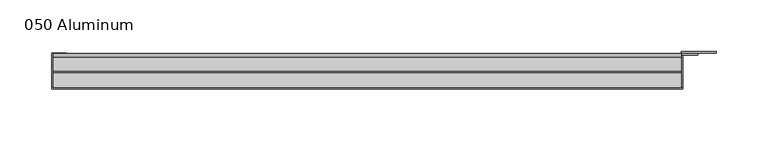
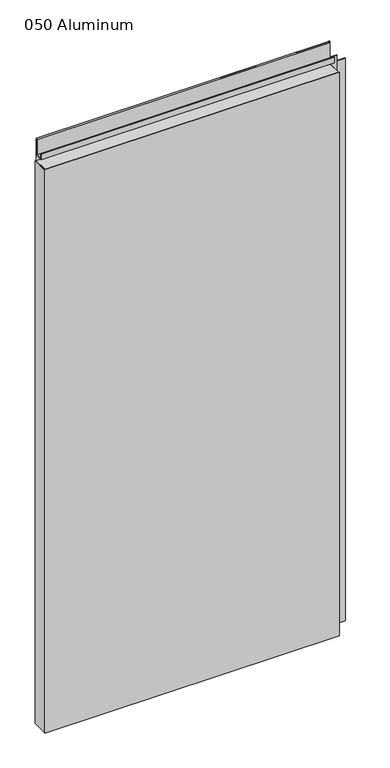
"""IFC4 building model written with IfcOpenShell, lengths in millimetres: plate geometry, 050 Aluminum."""

from ifc_helpers import new_model, si_unit, point, frame, frame_2d, origin, origin_with_axes, place, context, project, spatial, polyline, circle_curve, trimmed, segment, composite_curve, outline, extrude, source, transform, mapped, element, save


def plate_050_aluminum_4f8eb455(model_context):
    return source(origin(), model_context, "Body", "SweptSolid", [
        extrude(outline(polyline([(-309.88, -2.5660257), (-309.88, -34.7980001), (-311.1499999, -34.7980001), (-311.1499999, -1.2699999), (-296.9894994, -1.2699999), (-296.9894994, -2.5660257), (-309.88, -2.5660257)])), origin_with_axes(), (0.0, 0.0, 1.0), 1230.63),
        extrude(outline(composite_curve([segment(polyline([(-16.6765477, 13.1458337), (-16.6765477, 2.786437), (-17.9464915, 2.786437), (-17.9464915, 13.1323356)]), True, "CONTINUOUS"), segment(trimmed(circle_curve(frame_2d((-19.8514743, 13.124237)), 1.905), [point((-17.9464915, 13.1323356))], [point((-21.7564743, 13.124237))], True, "CARTESIAN"), True, "CONTINUOUS"), segment(polyline([(-21.7564743, 13.124237), (-21.7564743, 0.0), (-34.7980002, 0.0), (-34.7980002, 1.2693678), (-23.0264743, 1.2693678), (-23.0264743, 13.124237)]), True, "CONTINUOUS"), segment(trimmed(circle_curve(frame_2d((-19.8514743, 13.124237)), 3.175), [point((-23.0264743, 13.124237))], [point((-16.6765477, 13.1458337))], False, "CARTESIAN"), True, "CONTINUOUS")], self_intersect=False)), frame((-309.88, 0.0, 0.0), z_axis=(1.0, 0.0, 0.0), x_axis=(0.0, 1.0, 0.0)), (0.0, 0.0, 1.0), 607.06),
        extrude(outline(composite_curve([segment(polyline([(-2.0574743, 1279.0932001), (-2.0574743, 1230.63), (-34.7980002, 1230.63), (-34.7980002, 1231.9000001), (-3.3274743, 1231.9000001), (-3.3274743, 1279.0932001)]), True, "CONTINUOUS"), segment(trimmed(circle_curve(frame_2d((-3.7084742, 1279.0932001)), 0.3809999), [point((-3.3274743, 1279.0932001))], [point((-4.0894742, 1279.0932001))], True, "CARTESIAN"), True, "CONTINUOUS"), segment(polyline([(-4.0894742, 1279.0932001), (-4.0894742, 1244.6), (-20.4864742, 1244.6), (-20.4864742, 1255.9538), (-19.2164743, 1255.9538), (-19.2164743, 1245.87), (-5.3594742, 1245.87), (-5.3594742, 1279.0932001)]), True, "CONTINUOUS"), segment(trimmed(circle_curve(frame_2d((-3.7084742, 1279.0932001)), 1.6509999), [point((-5.3594742, 1279.0932001))], [point((-2.0574743, 1279.0932001))], False, "CARTESIAN"), True, "CONTINUOUS")], self_intersect=False)), frame((-309.88, 0.0, 0.0), z_axis=(1.0, 0.0, 0.0), x_axis=(0.0, 1.0, 0.0)), (0.0, 0.0, 1.0), 607.06),
        extrude(outline(polyline([(-311.15, -36.068), (-311.15, -34.7980001), (298.45, -34.7980001), (298.45, -36.068), (-311.15, -36.068)])), origin_with_axes(), (0.0, 0.0, 1.0), 1231.9),
        extrude(outline(polyline([(298.45, -1.2699999), (298.45, -34.7980002), (297.1800001, -34.7980002), (297.1800001, 0.0), (330.9620856, 0.0), (330.9620856, -1.2699999), (298.45, -1.2699999)])), origin_with_axes(), (0.0, 0.0, 1.0), 1230.63),
        extrude(outline(polyline([(297.18, -3.3274743), (297.18, -2.0574743), (312.9279999, -2.0574743), (312.9279999, -3.3274743), (297.18, -3.3274743)])), origin_with_axes(), (0.0, 0.0, 1.0), 1244.6),
    ])


if __name__ == "__main__":
    model = new_model("IFC4")
    model_context = context("Model", 3, world=origin())
    ifc_project = project(units=[si_unit("LENGTHUNIT", "METRE", prefix="MILLI")], contexts=[model_context])
    site = spatial("IfcSite", under=ifc_project)
    building = spatial("IfcBuilding", under=site)
    placement = place(None, origin())
    plate_050_aluminum_shape = plate_050_aluminum_4f8eb455(model_context)
    element("IfcPlate", 1, ObjectType="050 Aluminum", at=placement, inside=building, context=model_context, shape_type="MappedRepresentation", body=[
        mapped(plate_050_aluminum_shape, transform((0.0, 0.0, 0.0), x_axis=(1.0, 0.0, 0.0), y_axis=(0.0, 1.0, 0.0), z_axis=(0.0, 0.0, 1.0))),
    ])
    save(model, "model.ifc")
